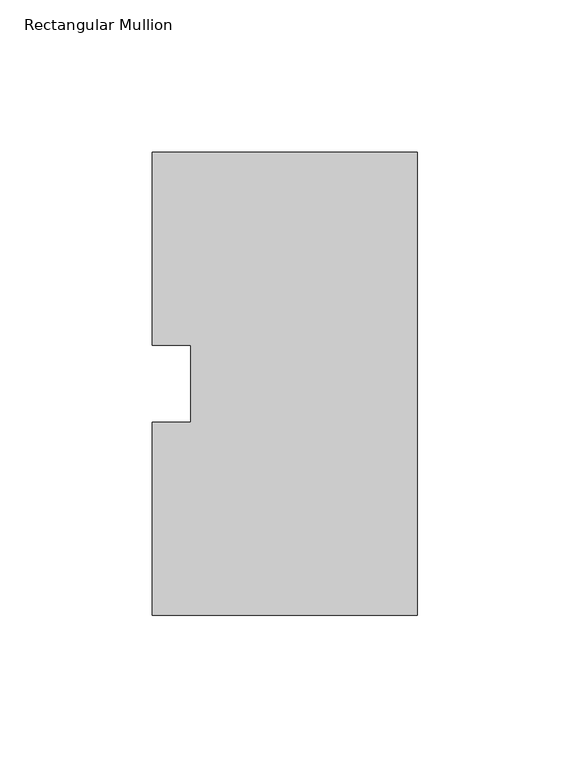
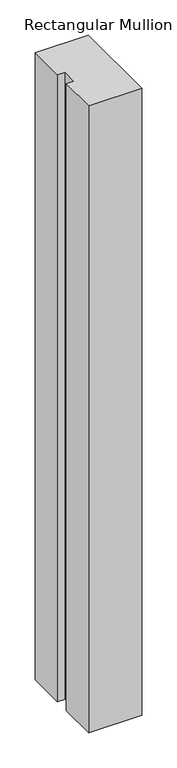
"""IFC4 building model written with IfcOpenShell, lengths in millimetres: member geometry, Rectangular Mullion."""

from ifc_helpers import new_model, si_unit, frame, origin, place, context, project, spatial, polyline, outline, extrude, source, transform, mapped, element, save


def rectangular_mullion_1f8b7e7d(model_context):
    return source(origin(), model_context, "Body", "SweptSolid", [
        extrude(outline(polyline([(-87.3125, 76.2), (0.0, 76.2), (0.0, -76.2), (-87.3125, -76.2), (-87.3125, -12.7), (-74.6107296, -12.7), (-74.6107296, 12.7), (-87.3125, 12.7), (-87.3125, 76.2)])), frame((0.0, 0.0, -1091.0405973), z_axis=(0.0, 0.0, 1.0), x_axis=(1.0, 0.0, 0.0)), (0.0, 0.0, 1.0), 1091.0405973),
    ])


if __name__ == "__main__":
    model = new_model("IFC4")
    model_context = context("Model", 3, world=origin())
    ifc_project = project(units=[si_unit("LENGTHUNIT", "METRE", prefix="MILLI")], contexts=[model_context])
    site = spatial("IfcSite", under=ifc_project)
    building = spatial("IfcBuilding", under=site)
    placement = place(None, origin())
    rectangular_mullion_shape = rectangular_mullion_1f8b7e7d(model_context)
    element("IfcMember", 1, ObjectType="Rectangular Mullion", at=placement, inside=building, context=model_context, shape_type="MappedRepresentation", body=[
        mapped(rectangular_mullion_shape, transform((0.0, 0.0, 0.0), x_axis=(1.0, 0.0, 0.0), y_axis=(0.0, 1.0, 0.0), z_axis=(0.0, 0.0, 1.0))),
    ])
    save(model, "model.ifc")
